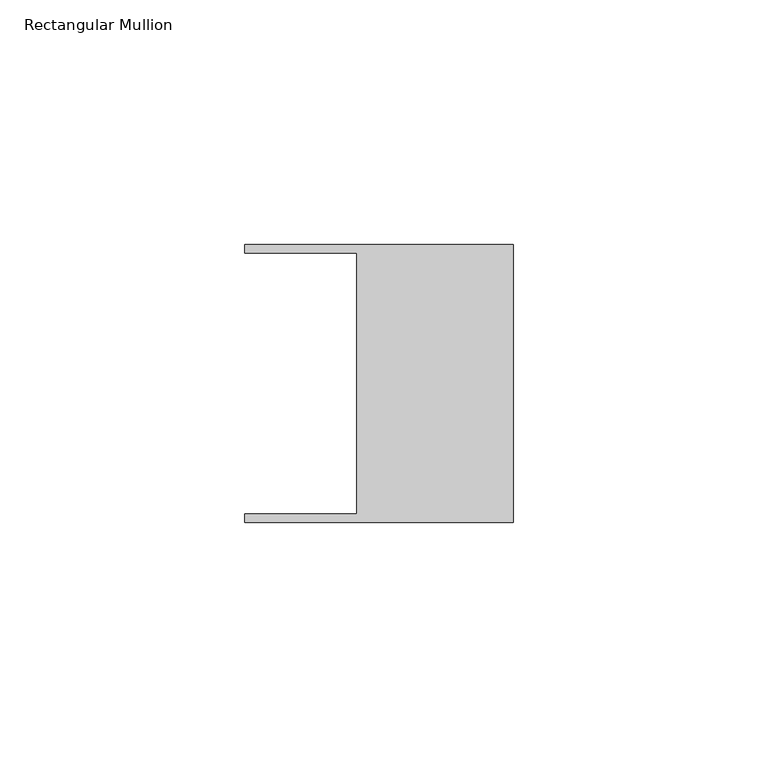
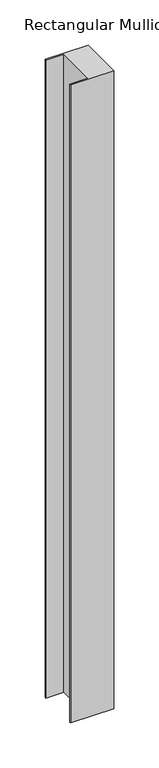
"""IFC4 building model written with IfcOpenShell, lengths in millimetres: member geometry, Rectangular Mullion."""

from ifc_helpers import new_model, si_unit, frame, origin, place, context, project, spatial, polyline, outline, extrude, source, transform, mapped, element, save


def rectangular_mullion_ea478dcf(model_context):
    return source(origin(), model_context, "Body", "SweptSolid", [
        extrude(outline(polyline([(-32.004, 26.67), (-54.991, 26.67), (-54.991, 28.448), (0.0, 28.448), (0.0, -28.448), (-54.991, -28.448), (-54.991, -26.67), (-32.004, -26.67), (-32.004, 26.67)])), frame((0.0, 0.0, -863.6), z_axis=(0.0, 0.0, 1.0), x_axis=(1.0, 0.0, 0.0)), (0.0, 0.0, 1.0), 863.6),
    ])


if __name__ == "__main__":
    model = new_model("IFC4")
    model_context = context("Model", 3, world=origin())
    ifc_project = project(units=[si_unit("LENGTHUNIT", "METRE", prefix="MILLI")], contexts=[model_context])
    site = spatial("IfcSite", under=ifc_project)
    building = spatial("IfcBuilding", under=site)
    placement = place(None, origin())
    rectangular_mullion_shape = rectangular_mullion_ea478dcf(model_context)
    element("IfcMember", 1, ObjectType="Rectangular Mullion", at=placement, inside=building, context=model_context, shape_type="MappedRepresentation", body=[
        mapped(rectangular_mullion_shape, transform((0.0, 0.0, 0.0), x_axis=(1.0, 0.0, 0.0), y_axis=(0.0, 1.0, 0.0), z_axis=(0.0, 0.0, 1.0))),
    ])
    save(model, "model.ifc")
